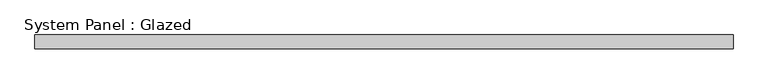
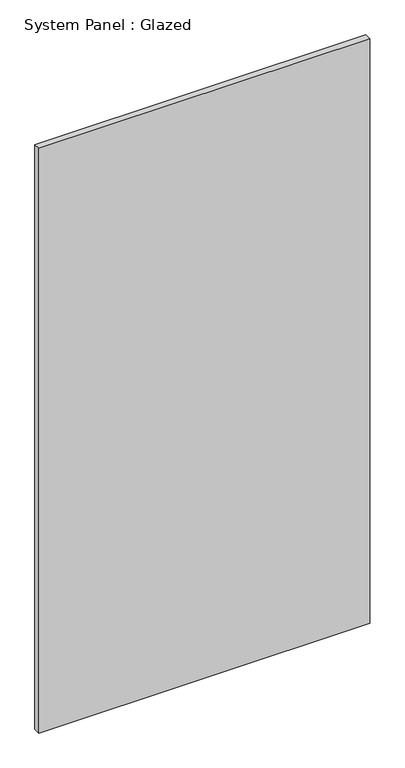
"""IFC4 building model written with IfcOpenShell, lengths in millimetres: plate geometry, System Panel : Glazed."""

from ifc_helpers import new_model, si_unit, origin, origin_with_axes, place, context, project, spatial, polyline, outline, extrude, source, transform, mapped, element, save


def system_panel_glazed_3ecf988c(model_context):
    return source(origin(), model_context, "Body", "SweptSolid", [
        extrude(outline(polyline([(629.1666668, 24.5), (-629.1666668, 24.5), (-629.1666668, 49.5), (629.1666668, 49.5), (629.1666668, 24.5)])), origin_with_axes(), (0.0, 0.0, 1.0), 2350.0),
    ])


if __name__ == "__main__":
    model = new_model("IFC4")
    model_context = context("Model", 3, world=origin())
    ifc_project = project(units=[si_unit("LENGTHUNIT", "METRE", prefix="MILLI")], contexts=[model_context])
    site = spatial("IfcSite", under=ifc_project)
    building = spatial("IfcBuilding", under=site)
    placement = place(None, origin())
    system_panel_glazed_shape = system_panel_glazed_3ecf988c(model_context)
    element("IfcPlate", 1, ObjectType="System Panel : Glazed", at=placement, inside=building, context=model_context, shape_type="MappedRepresentation", body=[
        mapped(system_panel_glazed_shape, transform((0.0, 0.0, 0.0), x_axis=(1.0, 0.0, 0.0), y_axis=(0.0, 1.0, 0.0), z_axis=(0.0, 0.0, 1.0))),
    ])
    save(model, "model.ifc")
